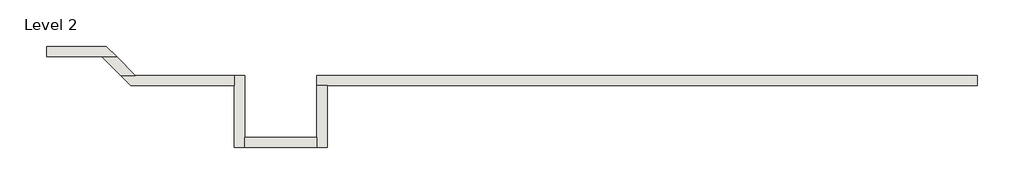
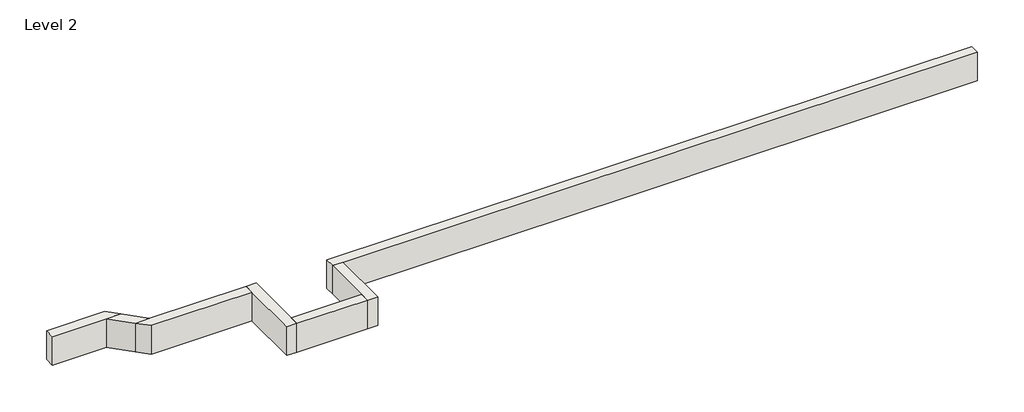
# One storey: 7 walls.
"""IFC4 building model written with IfcOpenShell, lengths in millimetres."""

from ifc_helpers import new_model, si_unit, frame, origin, place, context, project, spatial, polyline, outline, extrude, faceted_brep, element, save

model = new_model("IFC4")

# Units and contexts
model_context = context("Model", 3, world=origin())
ifc_project = project(units=[si_unit("LENGTHUNIT", "METRE", prefix="MILLI")], contexts=[model_context])

# Site, building, storey
site = spatial("IfcSite", under=ifc_project)
building = spatial("IfcBuilding", under=site)
storey = spatial("IfcBuildingStorey", under=building, Name="Level 2", Elevation=3048.0)

# Walls
placement = place(None, origin())
element("IfcWall", 1, ObjectType="Generic - 8\" Brick", at=placement, inside=storey, context=model_context, shape_type="Brep", body=[
    faceted_brep([(14630.357857, 1422.3976187, 3048.0), (14020.757857, 1422.3976187, 3048.0), (12801.557857, 1422.3976187, 3048.0), (12191.957857, 1422.3976187, 3048.0), (10972.757857, 1422.3976187, 3048.0), (10363.157857, 1422.3976187, 3048.0), (7315.157857, 1422.3976187, 3048.0), (6705.557857, 1422.3976187, 3048.0), (4876.757857, 1422.3976187, 3048.0), (3657.557857, 1422.3976187, 3048.0), (1625.5602383, 1422.3976187, 3048.0), (1625.5602383, 1422.3976187, 3657.6), (14630.357857, 1422.3976187, 3657.6), (14630.357857, 1219.1976187, 3048.0), (14630.357857, 1219.1976187, 3657.6), (1828.7602383, 1219.1976187, 3657.6), (1625.5602383, 1219.1976187, 3657.6), (1625.5602383, 1219.1976187, 3048.0), (1828.7602383, 1219.1976187, 3048.0), (3657.557857, 1219.1976187, 3048.0), (4876.757857, 1219.1976187, 3048.0), (6705.557857, 1219.1976187, 3048.0), (7315.157857, 1219.1976187, 3048.0), (10363.157857, 1219.1976187, 3048.0), (10972.757857, 1219.1976187, 3048.0), (12191.957857, 1219.1976187, 3048.0), (12801.557857, 1219.1976187, 3048.0), (14020.757857, 1219.1976187, 3048.0)], [[[0, 1, 2, 3, 4, 5, 6, 7, 8, 9, 10, 11, 12]], [[13, 14, 15, 16, 17, 18, 19, 20, 21, 22, 23, 24, 25, 26, 27]], [[10, 9, 8, 7, 6, 5, 4, 3, 2, 1, 0, 13, 27, 26, 25, 24, 23, 22, 21, 20, 19, 18, 17]], [[12, 11, 16, 15, 14]], [[0, 12, 14, 13]], [[11, 10, 17, 16]]]),
])
element("IfcWall", 2, ObjectType="Generic - 8\" Brick", at=placement, inside=storey, context=model_context, shape_type="Brep", body=[
    faceted_brep([(1625.5602383, 1219.1976187, 3048.0), (1625.5602383, 203.2, 3048.0), (1625.5602383, 0.0, 3048.0), (1625.5602383, 0.0, 3657.6), (1625.5602383, 203.2, 3657.6), (1625.5602383, 1219.1976187, 3657.6), (1828.7602383, 1219.1976187, 3048.0), (1828.7602383, 1219.1976187, 3657.6), (1828.7602383, 0.0, 3657.6), (1828.7602383, 0.0, 3048.0)], [[[0, 1, 2, 3, 4, 5]], [[6, 7, 8, 9]], [[2, 1, 0, 6, 9]], [[5, 4, 3, 8, 7]], [[0, 5, 7, 6]], [[3, 2, 9, 8]]]),
])
element("IfcWall", 3, ObjectType="Generic - 8\" Brick", at=placement, inside=storey, context=model_context, shape_type="SweptSolid", body=[
    extrude(outline(polyline([(203.157857, 203.2), (1625.5602383, 203.2), (1625.5602383, 0.0), (203.157857, 0.0), (203.157857, 203.2)])), frame((0.0, 0.0, 3048.0), z_axis=(0.0, 0.0, 1.0), x_axis=(1.0, 0.0, 0.0)), (0.0, 0.0, 1.0), 609.6),
])
element("IfcWall", 4, ObjectType="Generic - 8\" Brick", at=placement, inside=storey, context=model_context, shape_type="Brep", body=[
    faceted_brep([(203.157857, 0.0, 3048.0), (203.157857, 203.2, 3048.0), (203.157857, 1422.3976187, 3048.0), (203.157857, 1422.3976187, 3657.6), (203.157857, 203.2, 3657.6), (203.157857, 0.0, 3657.6), (-0.042143, 0.0, 3048.0), (-0.042143, 0.0, 3657.6), (-0.042143, 1219.1976187, 3657.6), (-0.042143, 1422.3976187, 3657.6), (-0.042143, 1422.3976187, 3048.0), (-0.042143, 1219.1976187, 3048.0)], [[[0, 1, 2, 3, 4, 5]], [[6, 7, 8, 9, 10, 11]], [[2, 1, 0, 6, 11, 10]], [[5, 4, 3, 9, 8, 7]], [[0, 5, 7, 6]], [[3, 2, 10, 9]]]),
])
element("IfcWall", 5, ObjectType="Generic - 8\" Brick", at=placement, inside=storey, context=model_context, shape_type="Brep", body=[
    faceted_brep([(-0.042143, 1422.3976187, 3048.0), (-1947.8398159, 1422.3976187, 3048.0), (-2235.2080117, 1422.3976187, 3048.0), (-2235.2080117, 1422.3976187, 3657.6), (-1947.8398159, 1422.3976187, 3657.6), (-0.042143, 1422.3976187, 3657.6), (-0.042143, 1219.1976187, 3048.0), (-0.042143, 1219.1976187, 3657.6), (-2032.0080117, 1219.1976187, 3657.6), (-2032.0080117, 1219.1976187, 3048.0)], [[[0, 1, 2, 3, 4, 5]], [[6, 7, 8, 9]], [[2, 1, 0, 6, 9]], [[5, 4, 3, 8, 7]], [[0, 5, 7, 6]], [[3, 2, 9, 8]]]),
])
element("IfcWall", 6, ObjectType="Generic - 8\" Brick", at=placement, inside=storey, context=model_context, shape_type="Brep", body=[
    faceted_brep([(-2519.1213426, 1993.6791455, 3048.0), (-3693.6817824, 1993.6791455, 3048.0), (-3693.6817824, 1993.6791455, 3657.6), (-2519.1213426, 1993.6791455, 3657.6), (-2315.9213426, 1790.4791455, 3048.0), (-2315.9213426, 1790.4791455, 3657.6), (-2603.2895385, 1790.4791455, 3657.6), (-3693.6817824, 1790.4791455, 3657.6), (-3693.6817824, 1790.4791455, 3048.0), (-2603.2895385, 1790.4791455, 3048.0)], [[[0, 1, 2, 3]], [[4, 5, 6, 7, 8, 9]], [[1, 0, 4, 9, 8]], [[3, 2, 7, 6, 5]], [[0, 3, 5, 4]], [[2, 1, 8, 7]]]),
])
element("IfcWall", 7, ObjectType="Generic - 8\" Brick", at=placement, inside=storey, context=model_context, shape_type="SweptSolid", body=[
    extrude(outline(polyline([(-2315.9213426, 1790.4791455), (-1947.8398159, 1422.3976187), (-2235.2080117, 1422.3976187), (-2603.2895385, 1790.4791455), (-2315.9213426, 1790.4791455)])), frame((0.0, 0.0, 3048.0), z_axis=(0.0, 0.0, 1.0), x_axis=(1.0, 0.0, 0.0)), (0.0, 0.0, 1.0), 609.6),
])

save(model, "model.ifc")
